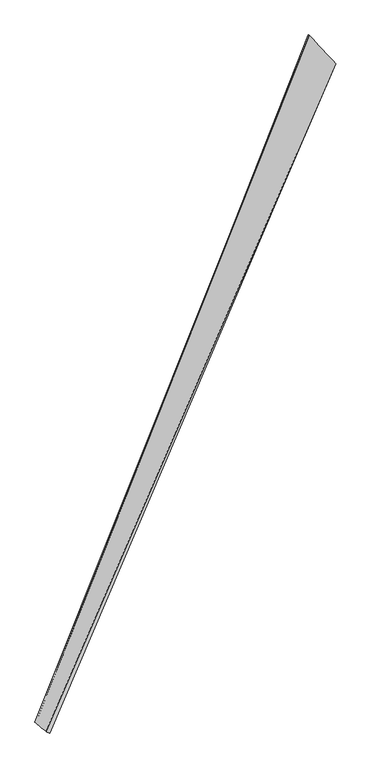
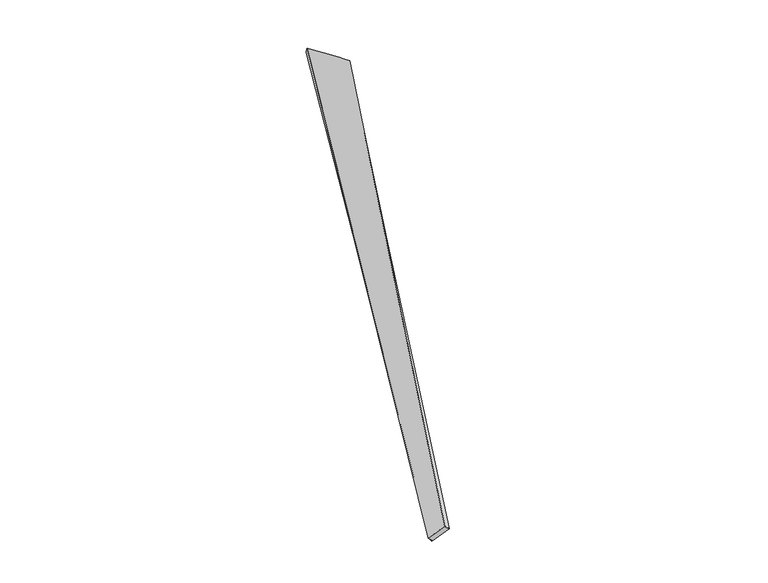
"""IFC4 building model written with IfcOpenShell, lengths in millimetres: proxy geometry."""

from ifc_helpers import new_model, si_unit, origin, place, context, project, spatial, source, transform, mapped, element, save
from ifc_brep_helpers import spline_surface, advanced_brep


def generic_models_680c22d8(model_context):
    return source(origin(), model_context, "Body", "AdvancedBrep", [
        advanced_brep(
        [(-734.8855702, -1861.7101111, 42.5808438), (-712.9523104, -1871.5011611, 24.6067665), (994.3545515, 2130.0799671, -46.2442441), (998.1072699, 2128.8906157, -16.5036565), (-783.9782864, -1813.5593751, -65.9469905), (833.4389675, 2302.0749376, -13.1421894), (-801.4282531, -1806.9288177, -42.4622216), (838.2065533, 2299.7483131, 16.3850343)],
        [
            (0, 1),
            (1, 2),
            (2, 3),
            (3, 0),
            (1, 4),
            (4, 5),
            (5, 2),
            (4, 6),
            (6, 7),
            (7, 5),
            (6, 0),
            (3, 7),
        ],
        [
            spline_surface(1, 1, [[(-734.8855702, -1861.7101111, 42.5808438), (998.1072699, 2128.8906157, -16.5036565)], [(-712.9523104, -1871.5011611, 24.6067665), (994.3545515, 2130.0799671, -46.2442441)]], [2, 2], [2, 2], [0.0, 1.0], [0.0, 1.0]),
            spline_surface(1, 1, [[(-712.9523104, -1871.5011611, 24.6067665), (994.3545515, 2130.0799671, -46.2442441)], [(-783.9782864, -1813.5593751, -65.9469905), (833.4389675, 2302.0749376, -13.1421894)]], [2, 2], [2, 2], [0.0, 1.0], [0.0, 1.0]),
            spline_surface(1, 1, [[(-783.9782864, -1813.5593751, -65.9469905), (833.4389675, 2302.0749376, -13.1421894)], [(-801.4282531, -1806.9288177, -42.4622216), (838.2065533, 2299.7483131, 16.3850343)]], [2, 2], [2, 2], [0.0, 1.0], [0.0, 1.0]),
            spline_surface(1, 1, [[(-801.4282531, -1806.9288177, -42.4622216), (838.2065533, 2299.7483131, 16.3850343)], [(-734.8855702, -1861.7101111, 42.5808438), (998.1072699, 2128.8906157, -16.5036565)]], [2, 2], [2, 2], [0.0, 1.0], [0.0, 1.0]),
            spline_surface(1, 1, [[(994.3545515, 2130.0799671, -46.2442441), (998.1072699, 2128.8906157, -16.5036565)], [(833.4389675, 2302.0749376, -13.1421894), (838.2065533, 2299.7483131, 16.3850343)]], [2, 2], [2, 2], [0.0, 1.0], [0.0, 1.0]),
            spline_surface(1, 1, [[(-801.4282531, -1806.9288177, -42.4622216), (-734.8855702, -1861.7101111, 42.5808438)], [(-783.9782864, -1813.5593751, -65.9469905), (-712.9523104, -1871.5011611, 24.6067665)]], [2, 2], [2, 2], [0.0, 1.0], [0.0, 1.0]),
        ],
        [
            (0, [[1, 2, 3, 4]]),
            (1, [[5, 6, 7, -2]]),
            (2, [[8, 9, 10, -6]]),
            (3, [[11, -4, 12, -9]]),
            (4, [[-3, -7, -10, -12]]),
            (5, [[-11, -8, -5, -1]]),
        ],
    ),
    ])


if __name__ == "__main__":
    model = new_model("IFC4")
    model_context = context("Model", 3, world=origin())
    ifc_project = project(units=[si_unit("LENGTHUNIT", "METRE", prefix="MILLI")], contexts=[model_context])
    site = spatial("IfcSite", under=ifc_project)
    building = spatial("IfcBuilding", under=site)
    placement = place(None, origin())
    generic_models_shape = generic_models_680c22d8(model_context)
    element("IfcBuildingElementProxy", 1, Name="Generic Models", at=placement, inside=building, context=model_context, shape_type="MappedRepresentation", body=[
        mapped(generic_models_shape, transform((0.0, 0.0, 0.0), x_axis=(1.0, 0.0, 0.0), y_axis=(0.0, 1.0, 0.0), z_axis=(0.0, 0.0, 1.0))),
    ])
    save(model, "model.ifc")
